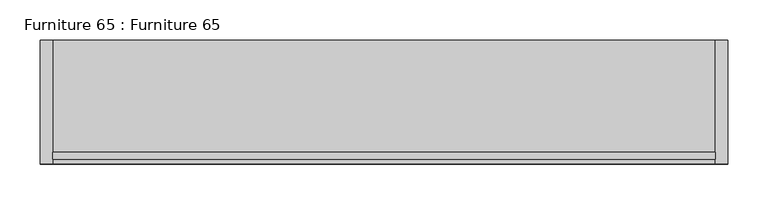
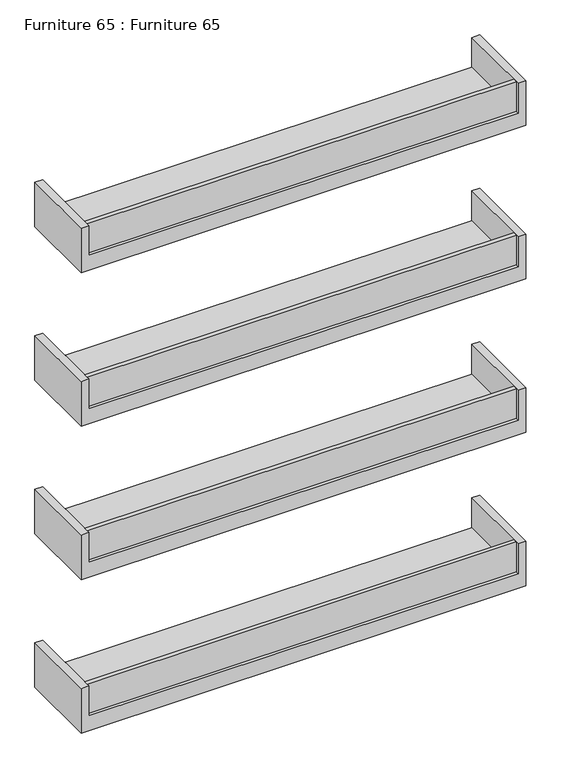
"""IFC4 building model written with IfcOpenShell, lengths in millimetres: furniture geometry, Furniture 65 : Furniture 65."""

from ifc_helpers import new_model, si_unit, frame, origin, place, context, project, spatial, polyline, outline, extrude, source, transform, mapped, element, save


def furniture_65_furniture_65_7f253872(model_context):
    return source(origin(), model_context, "Body", "SweptSolid", [
        extrude(outline(polyline([(537.3819848, -7399.1031651), (-282.6180152, -7399.1031651), (-282.6180152, -7390.9212764), (537.3819848, -7390.9212764), (537.3819848, -7399.1031651)])), frame((0.0, 0.0, 1130.0), z_axis=(0.0, 0.0, 1.0), x_axis=(1.0, 0.0, 0.0)), (0.0, 0.0, 1.0), 60.0),
        extrude(outline(polyline([(537.3819848, -7399.1031651), (-282.6180152, -7399.1031651), (-282.6180152, -7390.9212764), (537.3819848, -7390.9212764), (537.3819848, -7399.1031651)])), frame((0.0, 0.0, 1440.0), z_axis=(0.0, 0.0, 1.0), x_axis=(1.0, 0.0, 0.0)), (0.0, 0.0, 1.0), 60.0),
        extrude(outline(polyline([(537.3819848, -7399.1031651), (-282.6180152, -7399.1031651), (-282.6180152, -7390.9212764), (537.3819848, -7390.9212764), (537.3819848, -7399.1031651)])), frame((0.0, 0.0, 1750.0), z_axis=(0.0, 0.0, 1.0), x_axis=(1.0, 0.0, 0.0)), (0.0, 0.0, 1.0), 60.0),
        extrude(outline(polyline([(537.3819848, -7399.1031651), (-282.6180152, -7399.1031651), (-282.6180152, -7390.9212764), (537.3819848, -7390.9212764), (537.3819848, -7399.1031651)])), frame((0.0, 0.0, 2060.0), z_axis=(0.0, 0.0, 1.0), x_axis=(1.0, 0.0, 0.0)), (0.0, 0.0, 1.0), 60.0),
        extrude(outline(polyline([(1100.0, 552.3819848), (1190.0, 552.3819848), (1190.0, 537.3819848), (1130.0, 537.3819848), (1130.0, -282.6180152), (1190.0, -282.6180152), (1190.0, -297.6180152), (1100.0, -297.6180152), (1100.0, 552.3819848)])), frame((0.0, -7405.1391036, 0.0), z_axis=(0.0, 1.0, 0.0), x_axis=(0.0, 0.0, 1.0)), (0.0, 0.0, 1.0), 152.8107771),
        extrude(outline(polyline([(1410.0, 552.3819848), (1500.0, 552.3819848), (1500.0, 537.3819848), (1440.0, 537.3819848), (1440.0, -282.6180152), (1500.0, -282.6180152), (1500.0, -297.6180152), (1410.0, -297.6180152), (1410.0, 552.3819848)])), frame((0.0, -7405.1391036, 0.0), z_axis=(0.0, 1.0, 0.0), x_axis=(0.0, 0.0, 1.0)), (0.0, 0.0, 1.0), 152.8107771),
        extrude(outline(polyline([(1720.0, 552.3819848), (1810.0, 552.3819848), (1810.0, 537.3819848), (1750.0, 537.3819848), (1750.0, -282.6180152), (1810.0, -282.6180152), (1810.0, -297.6180152), (1720.0, -297.6180152), (1720.0, 552.3819848)])), frame((0.0, -7405.1391036, 0.0), z_axis=(0.0, 1.0, 0.0), x_axis=(0.0, 0.0, 1.0)), (0.0, 0.0, 1.0), 152.8107771),
        extrude(outline(polyline([(2030.0, 552.3819848), (2120.0, 552.3819848), (2120.0, 537.3819848), (2060.0, 537.3819848), (2060.0, -282.6180152), (2120.0, -282.6180152), (2120.0, -297.6180152), (2030.0, -297.6180152), (2030.0, 552.3819848)])), frame((0.0, -7405.1391036, 0.0), z_axis=(0.0, 1.0, 0.0), x_axis=(0.0, 0.0, 1.0)), (0.0, 0.0, 1.0), 152.8107771),
    ])


if __name__ == "__main__":
    model = new_model("IFC4")
    model_context = context("Model", 3, world=origin())
    ifc_project = project(units=[si_unit("LENGTHUNIT", "METRE", prefix="MILLI")], contexts=[model_context])
    site = spatial("IfcSite", under=ifc_project)
    building = spatial("IfcBuilding", under=site)
    placement = place(None, origin())
    furniture_65_furniture_65_shape = furniture_65_furniture_65_7f253872(model_context)
    element("IfcFurniture", 1, ObjectType="Furniture 65 : Furniture 65", at=placement, inside=building, context=model_context, shape_type="MappedRepresentation", body=[
        mapped(furniture_65_furniture_65_shape, transform((0.0, 0.0, 0.0), x_axis=(1.0, 0.0, 0.0), y_axis=(0.0, 1.0, 0.0), z_axis=(0.0, 0.0, 1.0))),
    ])
    save(model, "model.ifc")
